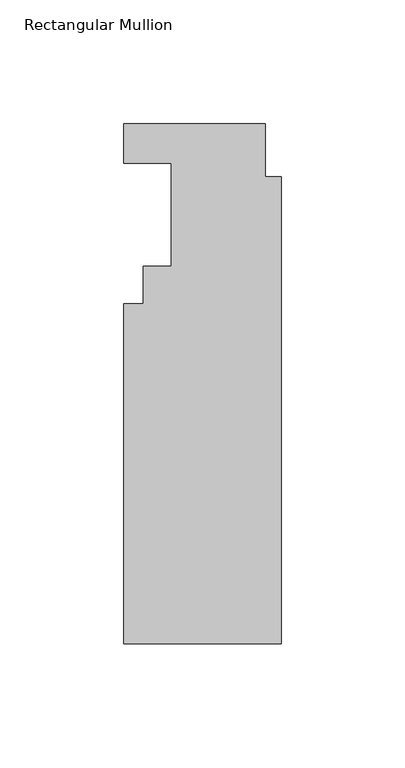
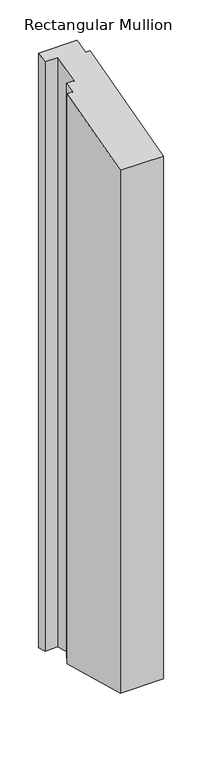
"""IFC4 building model written with IfcOpenShell, lengths in millimetres: member geometry, Rectangular Mullion."""

import ifcopenshell
import ifcopenshell.guid

model = None  # the IFC model being written
_history = None  # IfcOwnerHistory: only IFC2X3 demands one
_inside = {}  # id of a spatial element -> (the spatial element, [elements in it])
_under = {}  # id of a project, library or spatial element -> (it, [spatial elements below it])
_declared = {}  # id of a project -> (the project, [libraries it declares])
_typed = {}  # id of a type object -> (the type object, [elements of that type])
_made_of = {}  # id of a material, layer set ... -> (it, [elements and type objects made of it])


def new_model(schema):
    """Start an empty IFC model of exactly this schema.

    Asked for "IFC4X3", IfcOpenShell would pick the latest addendum, in which some entities
    have other attributes; the version numbers below select the first issue.
    IFC2X3 requires an IfcOwnerHistory on every rooted entity: one is made here for all.
    """
    global model, _history
    if schema == "IFC4X3":
        model = ifcopenshell.file(schema_version=(4, 3, 0, 0))
    else:
        model = ifcopenshell.file(schema=schema)
    _inside.clear()
    _under.clear()
    _declared.clear()
    _typed.clear()
    _made_of.clear()
    _history = None
    if model.schema == "IFC2X3":
        org = make("IfcOrganization", Name="unknown")
        user = make(
            "IfcPersonAndOrganization",
            ThePerson=make("IfcPerson", FamilyName="unknown"),
            TheOrganization=org,
        )
        app = make(
            "IfcApplication",
            ApplicationDeveloper=org,
            Version="unknown",
            ApplicationFullName="unknown",
            ApplicationIdentifier="unknown",
        )
        _history = make(
            "IfcOwnerHistory",
            OwningUser=user,
            OwningApplication=app,
            ChangeAction="ADDED",
            CreationDate=0,
        )
    return model


def make(cls, **values):
    """One entity of the class cls with the attributes given. An attribute that is None is left unset."""
    return model.create_entity(
        cls, **{name: value for name, value in values.items() if value is not None}
    )


def rooted(cls, **values):
    """An entity with a GlobalId (a new one), such as an element, a storey or a relation."""
    return make(cls, GlobalId=ifcopenshell.guid.new(), OwnerHistory=_history, **values)


def si_unit(unit_type, name, prefix=None):
    """IfcSIUnit, for example si_unit("LENGTHUNIT", "METRE", prefix="MILLI")."""
    return make("IfcSIUnit", UnitType=unit_type, Prefix=prefix, Name=name)


def assignment(units):
    """IfcUnitAssignment: the units of a project."""
    return None if units is None else make("IfcUnitAssignment", Units=units)


def point(xyz):
    """IfcCartesianPoint."""
    return None if xyz is None else make("IfcCartesianPoint", Coordinates=xyz)


def direction(xyz):
    """IfcDirection."""
    return None if xyz is None else make("IfcDirection", DirectionRatios=xyz)


def frame(location, z_axis=None, x_axis=None):
    """IfcAxis2Placement3D, a coordinate frame: its origin and axes. An axis left out is left unset."""
    return make(
        "IfcAxis2Placement3D",
        Location=point(location),
        Axis=direction(z_axis),
        RefDirection=direction(x_axis),
    )


def origin():
    """The frame at (0, 0, 0) with its axes left unset."""
    return frame((0.0, 0.0, 0.0))


def place(relative_to, where):
    """IfcLocalPlacement: puts the frame where relative to a parent placement (None: the world)."""
    return make(
        "IfcLocalPlacement", PlacementRelTo=relative_to, RelativePlacement=where
    )


def context(
    kind, dimensions, precision=None, world=None, true_north=None, identifier=None
):
    """IfcGeometricRepresentationContext, for example the 3D "Model" context."""
    return make(
        "IfcGeometricRepresentationContext",
        ContextIdentifier=identifier,
        ContextType=kind,
        CoordinateSpaceDimension=dimensions,
        Precision=precision,
        WorldCoordinateSystem=world,
        TrueNorth=true_north,
    )


def project(units=None, contexts=None):
    """IfcProject with its units and contexts."""
    return rooted(
        "IfcProject",
        Name="project",
        RepresentationContexts=contexts,
        UnitsInContext=assignment(units),
    )


def spatial(cls, under=None, at=None, **own):
    """A site, building, storey or space (cls), placed at a placement, below another one or the project."""
    s = rooted(cls, ObjectPlacement=at, **own)
    if under is not None:
        _under.setdefault(under.id(), (under, []))[1].append(s)
    return s


def faces_of(points, faces, orient=None, outer=None):
    """IfcFace entities. A face is a list of loops; a loop is a list of indices into points, from 0.

    orient and outer hold one flag for each loop. By default every Orientation is true, the
    first loop of a face is its IfcFaceOuterBound and the others are IfcFaceBound.
    """
    made = []
    for i, loops in enumerate(faces):
        bounds = []
        for j, loop in enumerate(loops):
            is_outer = j == 0 if outer is None else outer[i][j]
            bounds.append(
                make(
                    "IfcFaceOuterBound" if is_outer else "IfcFaceBound",
                    Bound=make("IfcPolyLoop", Polygon=[points[k] for k in loop]),
                    Orientation=True if orient is None else orient[i][j],
                )
            )
        made.append(make("IfcFace", Bounds=bounds))
    return made


def faceted_brep(points, faces, orient=None, outer=None, voids=None):
    """IfcFacetedBrep: a solid bounded by flat faces; with voids (closed shells), ...WithVoids."""
    shared = [point(p) for p in points]
    hull = make("IfcClosedShell", CfsFaces=faces_of(shared, faces, orient, outer))
    if voids is None:
        return make("IfcFacetedBrep", Outer=hull)
    return make(
        "IfcFacetedBrepWithVoids",
        Outer=hull,
        Voids=[
            make(cls, CfsFaces=faces_of(shared, fs, o, b)) for cls, fs, o, b in voids
        ],
    )


def shape(context_of_items, identifier, shape_type, items):
    """IfcShapeRepresentation: the items that make up one representation, for example the "Body"."""
    return make(
        "IfcShapeRepresentation",
        ContextOfItems=context_of_items,
        RepresentationIdentifier=identifier,
        RepresentationType=shape_type,
        Items=items,
    )


def source(mapping_origin, context_of_items, identifier, shape_type, items):
    """IfcRepresentationMap: a shape defined once, which mapped items show again and again."""
    return make(
        "IfcRepresentationMap",
        MappingOrigin=mapping_origin,
        MappedRepresentation=shape(context_of_items, identifier, shape_type, items),
    )


def transform(
    local_origin,
    x_axis=None,
    y_axis=None,
    z_axis=None,
    scale=None,
    scale2=None,
    scale3=None,
    uniform=True,
):
    """IfcCartesianTransformationOperator3D, or its non-uniform kind. x_axis, y_axis, z_axis: its Axis1, 2, 3."""
    if uniform:
        return make(
            "IfcCartesianTransformationOperator3D",
            Axis1=direction(x_axis),
            Axis2=direction(y_axis),
            LocalOrigin=point(local_origin),
            Scale=scale,
            Axis3=direction(z_axis),
        )
    return make(
        "IfcCartesianTransformationOperator3DnonUniform",
        Axis1=direction(x_axis),
        Axis2=direction(y_axis),
        LocalOrigin=point(local_origin),
        Scale=scale,
        Axis3=direction(z_axis),
        Scale2=scale2,
        Scale3=scale3,
    )


def mapped(mapping_source, mapping_target):
    """IfcMappedItem: shows the shape of a source again, moved by a transform."""
    return make(
        "IfcMappedItem", MappingSource=mapping_source, MappingTarget=mapping_target
    )


def made_of(thing, what):
    """Note that an element or type object is made of a material, layer set ...; save() writes the relation."""
    if what is not None:
        _made_of.setdefault(what.id(), (what, []))[1].append(thing)
    return thing


def element(
    cls,
    number,
    at=None,
    inside=None,
    cuts=None,
    type_object=None,
    material=None,
    context=None,
    identifier="Body",
    shape_type=None,
    held_by="IfcProductDefinitionShape",
    body=None,
    shapes=None,
    **own,
):
    """One element of the class cls, such as IfcWall. Its Tag is "e" and its number.

    at: its placement. inside: the storey or other place that contains it. cuts: it is an
    opening in that element (IfcRelVoidsElement). A single representation is given by context,
    identifier, shape_type and body (its items); several are given by shapes. held_by: the class
    of the entity that holds the representations. save() writes the other relations.
    """
    e = rooted(cls, Tag="e%d" % number, ObjectPlacement=at, **own)
    if body is not None:
        shapes = [shape(context, identifier, shape_type, body)]
    if shapes is not None:
        e.Representation = make(held_by, Representations=shapes)
    if inside is not None:
        _inside.setdefault(inside.id(), (inside, []))[1].append(e)
    if cuts is not None:
        rooted(
            "IfcRelVoidsElement", RelatingBuildingElement=cuts, RelatedOpeningElement=e
        )
    if type_object is not None:
        _typed.setdefault(type_object.id(), (type_object, []))[1].append(e)
    return made_of(e, material)


def aggregate(whole, parts):
    """IfcRelAggregates: a whole, such as a stair, and the parts it consists of."""
    return rooted("IfcRelAggregates", RelatingObject=whole, RelatedObjects=parts)


def save(model, path):
    """Write the relations noted so far, then the file.

    IfcRelAggregates (storeys below a building ...), IfcRelContainedInSpatialStructure (elements
    in a storey), IfcRelDefinesByType, IfcRelAssociatesMaterial and IfcRelDeclares: one each for
    every whole, place, type object, material and project.
    """
    for whole, parts in _under.values():
        aggregate(whole, parts)
    for where, things in _inside.values():
        rooted(
            "IfcRelContainedInSpatialStructure",
            RelatedElements=things,
            RelatingStructure=where,
        )
    for kind, things in _typed.values():
        rooted("IfcRelDefinesByType", RelatedObjects=things, RelatingType=kind)
    for what, things in _made_of.values():
        rooted("IfcRelAssociatesMaterial", RelatedObjects=things, RelatingMaterial=what)
    for by, libraries in _declared.values():
        rooted("IfcRelDeclares", RelatingContext=by, RelatedDefinitions=libraries)
    model.write(path)


def rectangular_mullion_ca1a8951(model_context):
    return source(origin(), model_context, "Body", "Brep", [
        faceted_brep([(-63.5, 4.8458438, 1.2984399), (-63.5, 20.7208438, 5.5521333), (-63.5, 20.7208438, -926.4703743), (-63.5, 4.8458438, -922.2166809), (-44.45, 4.8458438, 1.2984399), (-44.45, 4.8458438, -922.2166809), (-44.45, -36.8101563, -9.8632516), (-44.45, -36.8101563, -911.0549893), (-55.5752, -36.8101563, -9.8632516), (-55.5752, -36.8101563, -911.0549893), (-55.5752, -51.8723562, -13.899156), (-55.5752, -51.8723562, -907.019085), (-63.5, -51.8723562, -13.899156), (-63.5, -51.8723562, -907.019085), (-63.5, -189.2101563, -50.6987086), (-63.5, -189.2101563, -870.2195324), (0.0, -189.2101563, -50.6987086), (0.0, -189.2101563, -870.2195324), (0.0, -0.5643562, -0.1512188), (0.0, -0.5643562, -920.7670221), (-6.35, -0.5643562, -0.1512188), (-6.35, -0.5643562, -920.7670221), (-6.35, 20.7208438, 5.5521333), (-6.35, 20.7208438, -926.4703743)], [[[0, 1, 2, 3]], [[4, 0, 3, 5]], [[6, 4, 5, 7]], [[8, 6, 7, 9]], [[10, 8, 9, 11]], [[12, 10, 11, 13]], [[14, 12, 13, 15]], [[16, 14, 15, 17]], [[18, 16, 17, 19]], [[20, 18, 19, 21]], [[22, 20, 21, 23]], [[1, 22, 23, 2]], [[1, 0, 4, 6, 8, 10, 12, 14, 16, 18, 20, 22]], [[2, 23, 21, 19, 17, 15, 13, 11, 9, 7, 5, 3]]]),
    ])


if __name__ == "__main__":
    model = new_model("IFC4")
    model_context = context("Model", 3, world=origin())
    ifc_project = project(units=[si_unit("LENGTHUNIT", "METRE", prefix="MILLI")], contexts=[model_context])
    site = spatial("IfcSite", under=ifc_project)
    building = spatial("IfcBuilding", under=site)
    placement = place(None, origin())
    rectangular_mullion_shape = rectangular_mullion_ca1a8951(model_context)
    element("IfcMember", 1, ObjectType="Rectangular Mullion", at=placement, inside=building, context=model_context, shape_type="MappedRepresentation", body=[
        mapped(rectangular_mullion_shape, transform((0.0, 0.0, 0.0), x_axis=(1.0, 0.0, 0.0), y_axis=(0.0, 1.0, 0.0), z_axis=(0.0, 0.0, 1.0))),
    ])
    save(model, "model.ifc")
